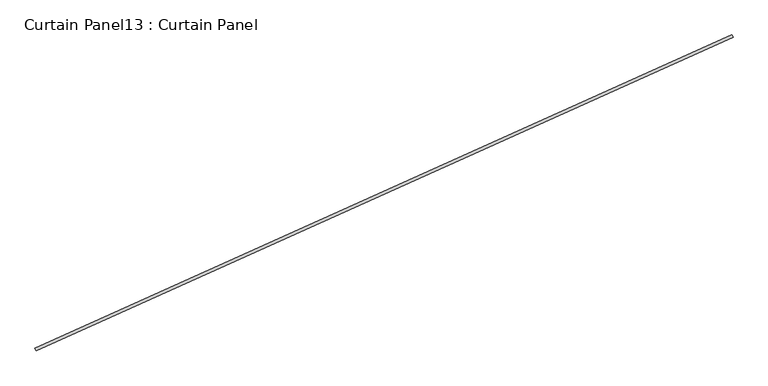
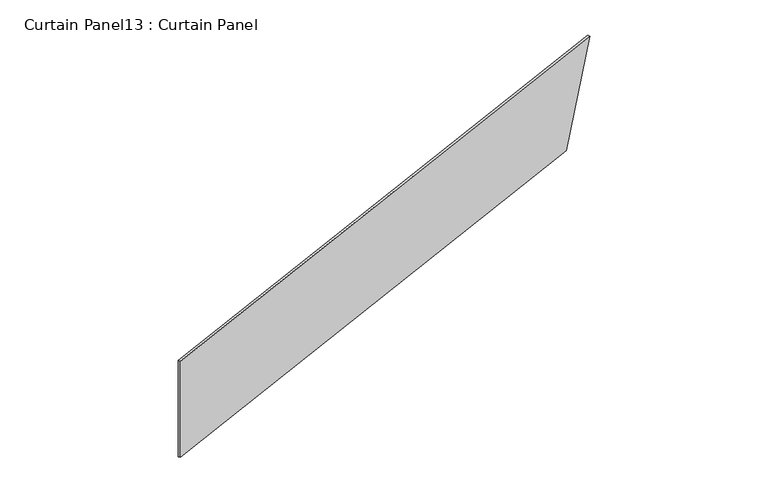
"""IFC4 building model written with IfcOpenShell, lengths in millimetres: plate geometry, Curtain Panel13 : Curtain Panel."""

import ifcopenshell
import ifcopenshell.guid

model = None  # the IFC model being written
_history = None  # IfcOwnerHistory: only IFC2X3 demands one
_inside = {}  # id of a spatial element -> (the spatial element, [elements in it])
_under = {}  # id of a project, library or spatial element -> (it, [spatial elements below it])
_declared = {}  # id of a project -> (the project, [libraries it declares])
_typed = {}  # id of a type object -> (the type object, [elements of that type])
_made_of = {}  # id of a material, layer set ... -> (it, [elements and type objects made of it])


def new_model(schema):
    """Start an empty IFC model of exactly this schema.

    Asked for "IFC4X3", IfcOpenShell would pick the latest addendum, in which some entities
    have other attributes; the version numbers below select the first issue.
    IFC2X3 requires an IfcOwnerHistory on every rooted entity: one is made here for all.
    """
    global model, _history
    if schema == "IFC4X3":
        model = ifcopenshell.file(schema_version=(4, 3, 0, 0))
    else:
        model = ifcopenshell.file(schema=schema)
    _inside.clear()
    _under.clear()
    _declared.clear()
    _typed.clear()
    _made_of.clear()
    _history = None
    if model.schema == "IFC2X3":
        org = make("IfcOrganization", Name="unknown")
        user = make(
            "IfcPersonAndOrganization",
            ThePerson=make("IfcPerson", FamilyName="unknown"),
            TheOrganization=org,
        )
        app = make(
            "IfcApplication",
            ApplicationDeveloper=org,
            Version="unknown",
            ApplicationFullName="unknown",
            ApplicationIdentifier="unknown",
        )
        _history = make(
            "IfcOwnerHistory",
            OwningUser=user,
            OwningApplication=app,
            ChangeAction="ADDED",
            CreationDate=0,
        )
    return model


def make(cls, **values):
    """One entity of the class cls with the attributes given. An attribute that is None is left unset."""
    return model.create_entity(
        cls, **{name: value for name, value in values.items() if value is not None}
    )


def rooted(cls, **values):
    """An entity with a GlobalId (a new one), such as an element, a storey or a relation."""
    return make(cls, GlobalId=ifcopenshell.guid.new(), OwnerHistory=_history, **values)


def si_unit(unit_type, name, prefix=None):
    """IfcSIUnit, for example si_unit("LENGTHUNIT", "METRE", prefix="MILLI")."""
    return make("IfcSIUnit", UnitType=unit_type, Prefix=prefix, Name=name)


def assignment(units):
    """IfcUnitAssignment: the units of a project."""
    return None if units is None else make("IfcUnitAssignment", Units=units)


def point(xyz):
    """IfcCartesianPoint."""
    return None if xyz is None else make("IfcCartesianPoint", Coordinates=xyz)


def direction(xyz):
    """IfcDirection."""
    return None if xyz is None else make("IfcDirection", DirectionRatios=xyz)


def frame(location, z_axis=None, x_axis=None):
    """IfcAxis2Placement3D, a coordinate frame: its origin and axes. An axis left out is left unset."""
    return make(
        "IfcAxis2Placement3D",
        Location=point(location),
        Axis=direction(z_axis),
        RefDirection=direction(x_axis),
    )


def origin():
    """The frame at (0, 0, 0) with its axes left unset."""
    return frame((0.0, 0.0, 0.0))


def place(relative_to, where):
    """IfcLocalPlacement: puts the frame where relative to a parent placement (None: the world)."""
    return make(
        "IfcLocalPlacement", PlacementRelTo=relative_to, RelativePlacement=where
    )


def context(
    kind, dimensions, precision=None, world=None, true_north=None, identifier=None
):
    """IfcGeometricRepresentationContext, for example the 3D "Model" context."""
    return make(
        "IfcGeometricRepresentationContext",
        ContextIdentifier=identifier,
        ContextType=kind,
        CoordinateSpaceDimension=dimensions,
        Precision=precision,
        WorldCoordinateSystem=world,
        TrueNorth=true_north,
    )


def project(units=None, contexts=None):
    """IfcProject with its units and contexts."""
    return rooted(
        "IfcProject",
        Name="project",
        RepresentationContexts=contexts,
        UnitsInContext=assignment(units),
    )


def spatial(cls, under=None, at=None, **own):
    """A site, building, storey or space (cls), placed at a placement, below another one or the project."""
    s = rooted(cls, ObjectPlacement=at, **own)
    if under is not None:
        _under.setdefault(under.id(), (under, []))[1].append(s)
    return s


def polyline(points):
    """IfcPolyline through the points."""
    return make("IfcPolyline", Points=[point(p) for p in points])


def outline(outer, holes=None, kind="AREA"):
    """IfcArbitraryClosedProfileDef: a profile drawn as a closed curve; with holes, ...WithVoids."""
    if holes is None:
        return make("IfcArbitraryClosedProfileDef", ProfileType=kind, OuterCurve=outer)
    return make(
        "IfcArbitraryProfileDefWithVoids",
        ProfileType=kind,
        OuterCurve=outer,
        InnerCurves=holes,
    )


def extrude(swept, where, along, depth):
    """IfcExtrudedAreaSolid: the profile swept, set in the frame where, extruded along a direction by depth."""
    return make(
        "IfcExtrudedAreaSolid",
        SweptArea=swept,
        Position=where,
        ExtrudedDirection=direction(along),
        Depth=depth,
    )


def shape(context_of_items, identifier, shape_type, items):
    """IfcShapeRepresentation: the items that make up one representation, for example the "Body"."""
    return make(
        "IfcShapeRepresentation",
        ContextOfItems=context_of_items,
        RepresentationIdentifier=identifier,
        RepresentationType=shape_type,
        Items=items,
    )


def source(mapping_origin, context_of_items, identifier, shape_type, items):
    """IfcRepresentationMap: a shape defined once, which mapped items show again and again."""
    return make(
        "IfcRepresentationMap",
        MappingOrigin=mapping_origin,
        MappedRepresentation=shape(context_of_items, identifier, shape_type, items),
    )


def transform(
    local_origin,
    x_axis=None,
    y_axis=None,
    z_axis=None,
    scale=None,
    scale2=None,
    scale3=None,
    uniform=True,
):
    """IfcCartesianTransformationOperator3D, or its non-uniform kind. x_axis, y_axis, z_axis: its Axis1, 2, 3."""
    if uniform:
        return make(
            "IfcCartesianTransformationOperator3D",
            Axis1=direction(x_axis),
            Axis2=direction(y_axis),
            LocalOrigin=point(local_origin),
            Scale=scale,
            Axis3=direction(z_axis),
        )
    return make(
        "IfcCartesianTransformationOperator3DnonUniform",
        Axis1=direction(x_axis),
        Axis2=direction(y_axis),
        LocalOrigin=point(local_origin),
        Scale=scale,
        Axis3=direction(z_axis),
        Scale2=scale2,
        Scale3=scale3,
    )


def mapped(mapping_source, mapping_target):
    """IfcMappedItem: shows the shape of a source again, moved by a transform."""
    return make(
        "IfcMappedItem", MappingSource=mapping_source, MappingTarget=mapping_target
    )


def made_of(thing, what):
    """Note that an element or type object is made of a material, layer set ...; save() writes the relation."""
    if what is not None:
        _made_of.setdefault(what.id(), (what, []))[1].append(thing)
    return thing


def element(
    cls,
    number,
    at=None,
    inside=None,
    cuts=None,
    type_object=None,
    material=None,
    context=None,
    identifier="Body",
    shape_type=None,
    held_by="IfcProductDefinitionShape",
    body=None,
    shapes=None,
    **own,
):
    """One element of the class cls, such as IfcWall. Its Tag is "e" and its number.

    at: its placement. inside: the storey or other place that contains it. cuts: it is an
    opening in that element (IfcRelVoidsElement). A single representation is given by context,
    identifier, shape_type and body (its items); several are given by shapes. held_by: the class
    of the entity that holds the representations. save() writes the other relations.
    """
    e = rooted(cls, Tag="e%d" % number, ObjectPlacement=at, **own)
    if body is not None:
        shapes = [shape(context, identifier, shape_type, body)]
    if shapes is not None:
        e.Representation = make(held_by, Representations=shapes)
    if inside is not None:
        _inside.setdefault(inside.id(), (inside, []))[1].append(e)
    if cuts is not None:
        rooted(
            "IfcRelVoidsElement", RelatingBuildingElement=cuts, RelatedOpeningElement=e
        )
    if type_object is not None:
        _typed.setdefault(type_object.id(), (type_object, []))[1].append(e)
    return made_of(e, material)


def aggregate(whole, parts):
    """IfcRelAggregates: a whole, such as a stair, and the parts it consists of."""
    return rooted("IfcRelAggregates", RelatingObject=whole, RelatedObjects=parts)


def save(model, path):
    """Write the relations noted so far, then the file.

    IfcRelAggregates (storeys below a building ...), IfcRelContainedInSpatialStructure (elements
    in a storey), IfcRelDefinesByType, IfcRelAssociatesMaterial and IfcRelDeclares: one each for
    every whole, place, type object, material and project.
    """
    for whole, parts in _under.values():
        aggregate(whole, parts)
    for where, things in _inside.values():
        rooted(
            "IfcRelContainedInSpatialStructure",
            RelatedElements=things,
            RelatingStructure=where,
        )
    for kind, things in _typed.values():
        rooted("IfcRelDefinesByType", RelatedObjects=things, RelatingType=kind)
    for what, things in _made_of.values():
        rooted("IfcRelAssociatesMaterial", RelatedObjects=things, RelatingMaterial=what)
    for by, libraries in _declared.values():
        rooted("IfcRelDeclares", RelatingContext=by, RelatedDefinitions=libraries)
    model.write(path)


def curtain_panel13_curtain_panel_5a86d2bb(model_context):
    return source(origin(), model_context, "Body", "SweptSolid", [
        extrude(outline(polyline([(0.0, 0.0), (0.0, -6851.5353728), (-1219.2, -7263.1055124), (-1219.2, 0.0), (0.0, 0.0)])), frame((36557.5770857, -12836.3437505, 18288.0), z_axis=(-0.4102319712783583, 0.9119812112873117, 0.0), x_axis=(0.0, 0.0, -1.0)), (0.0, 0.0, 1.0), 25.4),
    ])


if __name__ == "__main__":
    model = new_model("IFC4")
    model_context = context("Model", 3, world=origin())
    ifc_project = project(units=[si_unit("LENGTHUNIT", "METRE", prefix="MILLI")], contexts=[model_context])
    site = spatial("IfcSite", under=ifc_project)
    building = spatial("IfcBuilding", under=site)
    placement = place(None, origin())
    curtain_panel13_curtain_panel_shape = curtain_panel13_curtain_panel_5a86d2bb(model_context)
    element("IfcPlate", 1, ObjectType="Curtain Panel13 : Curtain Panel", at=placement, inside=building, context=model_context, shape_type="MappedRepresentation", body=[
        mapped(curtain_panel13_curtain_panel_shape, transform((0.0, 0.0, 0.0), x_axis=(1.0, 0.0, 0.0), y_axis=(0.0, 1.0, 0.0), z_axis=(0.0, 0.0, 1.0))),
    ])
    save(model, "model.ifc")
